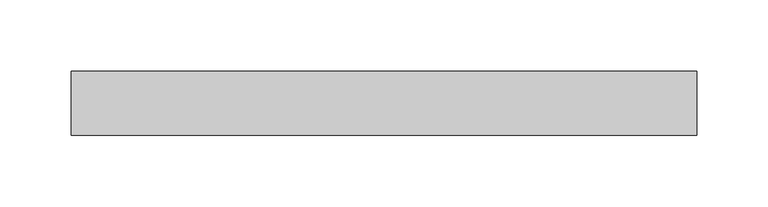
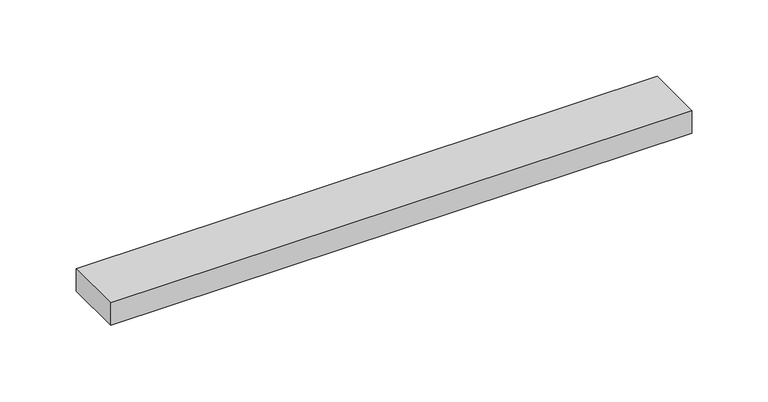
"""IFC4 building model written with IfcOpenShell, lengths in millimetres: beam geometry."""

from ifc_helpers import new_model, si_unit, frame, origin, place, context, project, spatial, polyline, outline, extrude, source, transform, mapped, element, save


def beam_c0cd3606(model_context):
    return source(origin(), model_context, "Body", "SweptSolid", [
        extrude(outline(polyline([(-219.5, 22.5), (219.5, 22.5), (219.5, -22.5), (-219.5, -22.5), (-219.5, 22.5)])), frame((0.0, 0.0, -9.0), z_axis=(0.0, 0.0, 1.0), x_axis=(1.0, 0.0, 0.0)), (0.0, 0.0, 1.0), 18.0),
    ])


if __name__ == "__main__":
    model = new_model("IFC4")
    model_context = context("Model", 3, world=origin())
    ifc_project = project(units=[si_unit("LENGTHUNIT", "METRE", prefix="MILLI")], contexts=[model_context])
    site = spatial("IfcSite", under=ifc_project)
    building = spatial("IfcBuilding", under=site)
    placement = place(None, origin())
    beam_shape = beam_c0cd3606(model_context)
    element("IfcBeam", 1, at=placement, inside=building, context=model_context, shape_type="MappedRepresentation", body=[
        mapped(beam_shape, transform((0.0, 0.0, 0.0), x_axis=(1.0, 0.0, 0.0), y_axis=(0.0, 1.0, 0.0), z_axis=(0.0, 0.0, 1.0))),
    ])
    save(model, "model.ifc")
